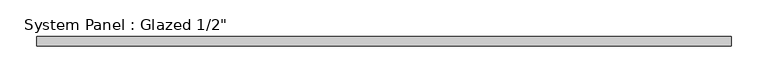
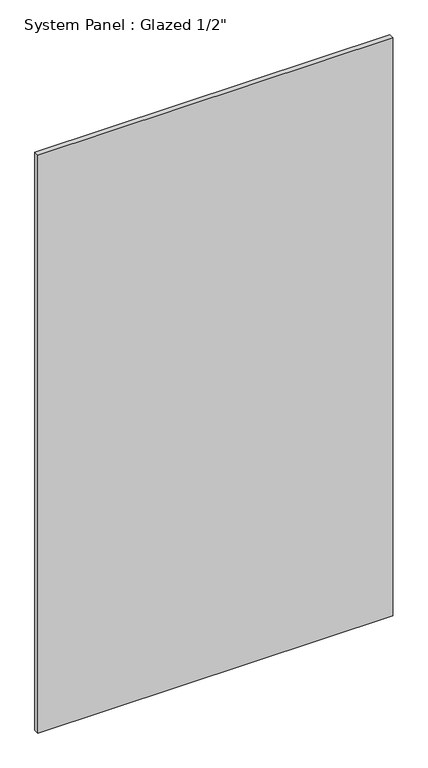
"""IFC4 building model written with IfcOpenShell, lengths in millimetres: plate geometry."""

import ifcopenshell
import ifcopenshell.guid

model = None  # the IFC model being written
_history = None  # IfcOwnerHistory: only IFC2X3 demands one
_inside = {}  # id of a spatial element -> (the spatial element, [elements in it])
_under = {}  # id of a project, library or spatial element -> (it, [spatial elements below it])
_declared = {}  # id of a project -> (the project, [libraries it declares])
_typed = {}  # id of a type object -> (the type object, [elements of that type])
_made_of = {}  # id of a material, layer set ... -> (it, [elements and type objects made of it])


def new_model(schema):
    """Start an empty IFC model of exactly this schema.

    Asked for "IFC4X3", IfcOpenShell would pick the latest addendum, in which some entities
    have other attributes; the version numbers below select the first issue.
    IFC2X3 requires an IfcOwnerHistory on every rooted entity: one is made here for all.
    """
    global model, _history
    if schema == "IFC4X3":
        model = ifcopenshell.file(schema_version=(4, 3, 0, 0))
    else:
        model = ifcopenshell.file(schema=schema)
    _inside.clear()
    _under.clear()
    _declared.clear()
    _typed.clear()
    _made_of.clear()
    _history = None
    if model.schema == "IFC2X3":
        org = make("IfcOrganization", Name="unknown")
        user = make(
            "IfcPersonAndOrganization",
            ThePerson=make("IfcPerson", FamilyName="unknown"),
            TheOrganization=org,
        )
        app = make(
            "IfcApplication",
            ApplicationDeveloper=org,
            Version="unknown",
            ApplicationFullName="unknown",
            ApplicationIdentifier="unknown",
        )
        _history = make(
            "IfcOwnerHistory",
            OwningUser=user,
            OwningApplication=app,
            ChangeAction="ADDED",
            CreationDate=0,
        )
    return model


def make(cls, **values):
    """One entity of the class cls with the attributes given. An attribute that is None is left unset."""
    return model.create_entity(
        cls, **{name: value for name, value in values.items() if value is not None}
    )


def rooted(cls, **values):
    """An entity with a GlobalId (a new one), such as an element, a storey or a relation."""
    return make(cls, GlobalId=ifcopenshell.guid.new(), OwnerHistory=_history, **values)


def si_unit(unit_type, name, prefix=None):
    """IfcSIUnit, for example si_unit("LENGTHUNIT", "METRE", prefix="MILLI")."""
    return make("IfcSIUnit", UnitType=unit_type, Prefix=prefix, Name=name)


def assignment(units):
    """IfcUnitAssignment: the units of a project."""
    return None if units is None else make("IfcUnitAssignment", Units=units)


def point(xyz):
    """IfcCartesianPoint."""
    return None if xyz is None else make("IfcCartesianPoint", Coordinates=xyz)


def direction(xyz):
    """IfcDirection."""
    return None if xyz is None else make("IfcDirection", DirectionRatios=xyz)


def frame(location, z_axis=None, x_axis=None):
    """IfcAxis2Placement3D, a coordinate frame: its origin and axes. An axis left out is left unset."""
    return make(
        "IfcAxis2Placement3D",
        Location=point(location),
        Axis=direction(z_axis),
        RefDirection=direction(x_axis),
    )


def origin():
    """The frame at (0, 0, 0) with its axes left unset."""
    return frame((0.0, 0.0, 0.0))


def origin_with_axes():
    """The frame at (0, 0, 0) with the z axis (0, 0, 1) and the x axis (1, 0, 0) written out."""
    return frame((0.0, 0.0, 0.0), z_axis=(0.0, 0.0, 1.0), x_axis=(1.0, 0.0, 0.0))


def place(relative_to, where):
    """IfcLocalPlacement: puts the frame where relative to a parent placement (None: the world)."""
    return make(
        "IfcLocalPlacement", PlacementRelTo=relative_to, RelativePlacement=where
    )


def context(
    kind, dimensions, precision=None, world=None, true_north=None, identifier=None
):
    """IfcGeometricRepresentationContext, for example the 3D "Model" context."""
    return make(
        "IfcGeometricRepresentationContext",
        ContextIdentifier=identifier,
        ContextType=kind,
        CoordinateSpaceDimension=dimensions,
        Precision=precision,
        WorldCoordinateSystem=world,
        TrueNorth=true_north,
    )


def project(units=None, contexts=None):
    """IfcProject with its units and contexts."""
    return rooted(
        "IfcProject",
        Name="project",
        RepresentationContexts=contexts,
        UnitsInContext=assignment(units),
    )


def spatial(cls, under=None, at=None, **own):
    """A site, building, storey or space (cls), placed at a placement, below another one or the project."""
    s = rooted(cls, ObjectPlacement=at, **own)
    if under is not None:
        _under.setdefault(under.id(), (under, []))[1].append(s)
    return s


def polyline(points):
    """IfcPolyline through the points."""
    return make("IfcPolyline", Points=[point(p) for p in points])


def outline(outer, holes=None, kind="AREA"):
    """IfcArbitraryClosedProfileDef: a profile drawn as a closed curve; with holes, ...WithVoids."""
    if holes is None:
        return make("IfcArbitraryClosedProfileDef", ProfileType=kind, OuterCurve=outer)
    return make(
        "IfcArbitraryProfileDefWithVoids",
        ProfileType=kind,
        OuterCurve=outer,
        InnerCurves=holes,
    )


def extrude(swept, where, along, depth):
    """IfcExtrudedAreaSolid: the profile swept, set in the frame where, extruded along a direction by depth."""
    return make(
        "IfcExtrudedAreaSolid",
        SweptArea=swept,
        Position=where,
        ExtrudedDirection=direction(along),
        Depth=depth,
    )


def shape(context_of_items, identifier, shape_type, items):
    """IfcShapeRepresentation: the items that make up one representation, for example the "Body"."""
    return make(
        "IfcShapeRepresentation",
        ContextOfItems=context_of_items,
        RepresentationIdentifier=identifier,
        RepresentationType=shape_type,
        Items=items,
    )


def source(mapping_origin, context_of_items, identifier, shape_type, items):
    """IfcRepresentationMap: a shape defined once, which mapped items show again and again."""
    return make(
        "IfcRepresentationMap",
        MappingOrigin=mapping_origin,
        MappedRepresentation=shape(context_of_items, identifier, shape_type, items),
    )


def transform(
    local_origin,
    x_axis=None,
    y_axis=None,
    z_axis=None,
    scale=None,
    scale2=None,
    scale3=None,
    uniform=True,
):
    """IfcCartesianTransformationOperator3D, or its non-uniform kind. x_axis, y_axis, z_axis: its Axis1, 2, 3."""
    if uniform:
        return make(
            "IfcCartesianTransformationOperator3D",
            Axis1=direction(x_axis),
            Axis2=direction(y_axis),
            LocalOrigin=point(local_origin),
            Scale=scale,
            Axis3=direction(z_axis),
        )
    return make(
        "IfcCartesianTransformationOperator3DnonUniform",
        Axis1=direction(x_axis),
        Axis2=direction(y_axis),
        LocalOrigin=point(local_origin),
        Scale=scale,
        Axis3=direction(z_axis),
        Scale2=scale2,
        Scale3=scale3,
    )


def mapped(mapping_source, mapping_target):
    """IfcMappedItem: shows the shape of a source again, moved by a transform."""
    return make(
        "IfcMappedItem", MappingSource=mapping_source, MappingTarget=mapping_target
    )


def made_of(thing, what):
    """Note that an element or type object is made of a material, layer set ...; save() writes the relation."""
    if what is not None:
        _made_of.setdefault(what.id(), (what, []))[1].append(thing)
    return thing


def element(
    cls,
    number,
    at=None,
    inside=None,
    cuts=None,
    type_object=None,
    material=None,
    context=None,
    identifier="Body",
    shape_type=None,
    held_by="IfcProductDefinitionShape",
    body=None,
    shapes=None,
    **own,
):
    """One element of the class cls, such as IfcWall. Its Tag is "e" and its number.

    at: its placement. inside: the storey or other place that contains it. cuts: it is an
    opening in that element (IfcRelVoidsElement). A single representation is given by context,
    identifier, shape_type and body (its items); several are given by shapes. held_by: the class
    of the entity that holds the representations. save() writes the other relations.
    """
    e = rooted(cls, Tag="e%d" % number, ObjectPlacement=at, **own)
    if body is not None:
        shapes = [shape(context, identifier, shape_type, body)]
    if shapes is not None:
        e.Representation = make(held_by, Representations=shapes)
    if inside is not None:
        _inside.setdefault(inside.id(), (inside, []))[1].append(e)
    if cuts is not None:
        rooted(
            "IfcRelVoidsElement", RelatingBuildingElement=cuts, RelatedOpeningElement=e
        )
    if type_object is not None:
        _typed.setdefault(type_object.id(), (type_object, []))[1].append(e)
    return made_of(e, material)


def aggregate(whole, parts):
    """IfcRelAggregates: a whole, such as a stair, and the parts it consists of."""
    return rooted("IfcRelAggregates", RelatingObject=whole, RelatedObjects=parts)


def save(model, path):
    """Write the relations noted so far, then the file.

    IfcRelAggregates (storeys below a building ...), IfcRelContainedInSpatialStructure (elements
    in a storey), IfcRelDefinesByType, IfcRelAssociatesMaterial and IfcRelDeclares: one each for
    every whole, place, type object, material and project.
    """
    for whole, parts in _under.values():
        aggregate(whole, parts)
    for where, things in _inside.values():
        rooted(
            "IfcRelContainedInSpatialStructure",
            RelatedElements=things,
            RelatingStructure=where,
        )
    for kind, things in _typed.values():
        rooted("IfcRelDefinesByType", RelatedObjects=things, RelatingType=kind)
    for what, things in _made_of.values():
        rooted("IfcRelAssociatesMaterial", RelatedObjects=things, RelatingMaterial=what)
    for by, libraries in _declared.values():
        rooted("IfcRelDeclares", RelatingContext=by, RelatedDefinitions=libraries)
    model.write(path)


def plate_f9a9ee12(model_context):
    return source(origin(), model_context, "Body", "SweptSolid", [
        extrude(outline(polyline([(470.4291667, -6.35), (-470.4291667, -6.35), (-470.4291667, 6.35), (470.4291667, 6.35), (470.4291667, -6.35)])), origin_with_axes(), (0.0, 0.0, 1.0), 1619.25),
    ])


if __name__ == "__main__":
    model = new_model("IFC4")
    model_context = context("Model", 3, world=origin())
    ifc_project = project(units=[si_unit("LENGTHUNIT", "METRE", prefix="MILLI")], contexts=[model_context])
    site = spatial("IfcSite", under=ifc_project)
    building = spatial("IfcBuilding", under=site)
    placement = place(None, origin())
    plate_shape = plate_f9a9ee12(model_context)
    element("IfcPlate", 1, ObjectType="System Panel : Glazed 1/2\"", at=placement, inside=building, context=model_context, shape_type="MappedRepresentation", body=[
        mapped(plate_shape, transform((0.0, 0.0, 0.0), x_axis=(1.0, 0.0, 0.0), y_axis=(0.0, 1.0, 0.0), z_axis=(0.0, 0.0, 1.0))),
    ])
    save(model, "model.ifc")
